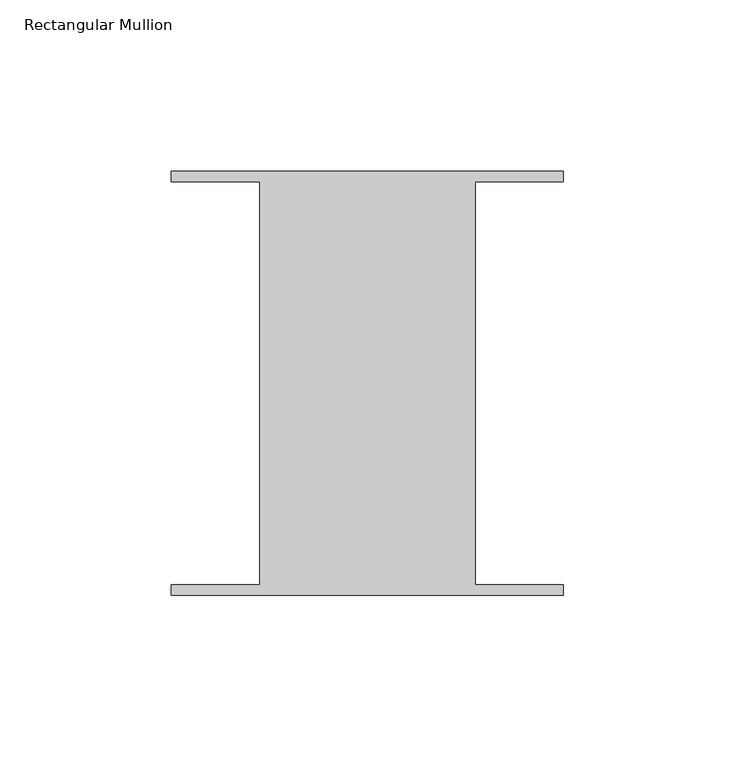
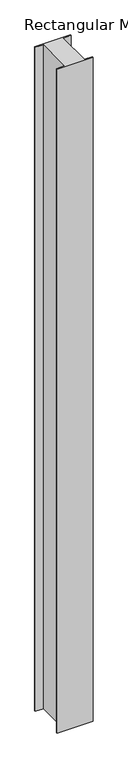
"""IFC4 building model written with IfcOpenShell, lengths in millimetres: member geometry, Rectangular Mullion."""

import ifcopenshell
import ifcopenshell.guid

model = None  # the IFC model being written
_history = None  # IfcOwnerHistory: only IFC2X3 demands one
_inside = {}  # id of a spatial element -> (the spatial element, [elements in it])
_under = {}  # id of a project, library or spatial element -> (it, [spatial elements below it])
_declared = {}  # id of a project -> (the project, [libraries it declares])
_typed = {}  # id of a type object -> (the type object, [elements of that type])
_made_of = {}  # id of a material, layer set ... -> (it, [elements and type objects made of it])


def new_model(schema):
    """Start an empty IFC model of exactly this schema.

    Asked for "IFC4X3", IfcOpenShell would pick the latest addendum, in which some entities
    have other attributes; the version numbers below select the first issue.
    IFC2X3 requires an IfcOwnerHistory on every rooted entity: one is made here for all.
    """
    global model, _history
    if schema == "IFC4X3":
        model = ifcopenshell.file(schema_version=(4, 3, 0, 0))
    else:
        model = ifcopenshell.file(schema=schema)
    _inside.clear()
    _under.clear()
    _declared.clear()
    _typed.clear()
    _made_of.clear()
    _history = None
    if model.schema == "IFC2X3":
        org = make("IfcOrganization", Name="unknown")
        user = make(
            "IfcPersonAndOrganization",
            ThePerson=make("IfcPerson", FamilyName="unknown"),
            TheOrganization=org,
        )
        app = make(
            "IfcApplication",
            ApplicationDeveloper=org,
            Version="unknown",
            ApplicationFullName="unknown",
            ApplicationIdentifier="unknown",
        )
        _history = make(
            "IfcOwnerHistory",
            OwningUser=user,
            OwningApplication=app,
            ChangeAction="ADDED",
            CreationDate=0,
        )
    return model


def make(cls, **values):
    """One entity of the class cls with the attributes given. An attribute that is None is left unset."""
    return model.create_entity(
        cls, **{name: value for name, value in values.items() if value is not None}
    )


def rooted(cls, **values):
    """An entity with a GlobalId (a new one), such as an element, a storey or a relation."""
    return make(cls, GlobalId=ifcopenshell.guid.new(), OwnerHistory=_history, **values)


def si_unit(unit_type, name, prefix=None):
    """IfcSIUnit, for example si_unit("LENGTHUNIT", "METRE", prefix="MILLI")."""
    return make("IfcSIUnit", UnitType=unit_type, Prefix=prefix, Name=name)


def assignment(units):
    """IfcUnitAssignment: the units of a project."""
    return None if units is None else make("IfcUnitAssignment", Units=units)


def point(xyz):
    """IfcCartesianPoint."""
    return None if xyz is None else make("IfcCartesianPoint", Coordinates=xyz)


def direction(xyz):
    """IfcDirection."""
    return None if xyz is None else make("IfcDirection", DirectionRatios=xyz)


def frame(location, z_axis=None, x_axis=None):
    """IfcAxis2Placement3D, a coordinate frame: its origin and axes. An axis left out is left unset."""
    return make(
        "IfcAxis2Placement3D",
        Location=point(location),
        Axis=direction(z_axis),
        RefDirection=direction(x_axis),
    )


def origin():
    """The frame at (0, 0, 0) with its axes left unset."""
    return frame((0.0, 0.0, 0.0))


def place(relative_to, where):
    """IfcLocalPlacement: puts the frame where relative to a parent placement (None: the world)."""
    return make(
        "IfcLocalPlacement", PlacementRelTo=relative_to, RelativePlacement=where
    )


def context(
    kind, dimensions, precision=None, world=None, true_north=None, identifier=None
):
    """IfcGeometricRepresentationContext, for example the 3D "Model" context."""
    return make(
        "IfcGeometricRepresentationContext",
        ContextIdentifier=identifier,
        ContextType=kind,
        CoordinateSpaceDimension=dimensions,
        Precision=precision,
        WorldCoordinateSystem=world,
        TrueNorth=true_north,
    )


def project(units=None, contexts=None):
    """IfcProject with its units and contexts."""
    return rooted(
        "IfcProject",
        Name="project",
        RepresentationContexts=contexts,
        UnitsInContext=assignment(units),
    )


def spatial(cls, under=None, at=None, **own):
    """A site, building, storey or space (cls), placed at a placement, below another one or the project."""
    s = rooted(cls, ObjectPlacement=at, **own)
    if under is not None:
        _under.setdefault(under.id(), (under, []))[1].append(s)
    return s


def polyline(points):
    """IfcPolyline through the points."""
    return make("IfcPolyline", Points=[point(p) for p in points])


def outline(outer, holes=None, kind="AREA"):
    """IfcArbitraryClosedProfileDef: a profile drawn as a closed curve; with holes, ...WithVoids."""
    if holes is None:
        return make("IfcArbitraryClosedProfileDef", ProfileType=kind, OuterCurve=outer)
    return make(
        "IfcArbitraryProfileDefWithVoids",
        ProfileType=kind,
        OuterCurve=outer,
        InnerCurves=holes,
    )


def extrude(swept, where, along, depth):
    """IfcExtrudedAreaSolid: the profile swept, set in the frame where, extruded along a direction by depth."""
    return make(
        "IfcExtrudedAreaSolid",
        SweptArea=swept,
        Position=where,
        ExtrudedDirection=direction(along),
        Depth=depth,
    )


def shape(context_of_items, identifier, shape_type, items):
    """IfcShapeRepresentation: the items that make up one representation, for example the "Body"."""
    return make(
        "IfcShapeRepresentation",
        ContextOfItems=context_of_items,
        RepresentationIdentifier=identifier,
        RepresentationType=shape_type,
        Items=items,
    )


def source(mapping_origin, context_of_items, identifier, shape_type, items):
    """IfcRepresentationMap: a shape defined once, which mapped items show again and again."""
    return make(
        "IfcRepresentationMap",
        MappingOrigin=mapping_origin,
        MappedRepresentation=shape(context_of_items, identifier, shape_type, items),
    )


def transform(
    local_origin,
    x_axis=None,
    y_axis=None,
    z_axis=None,
    scale=None,
    scale2=None,
    scale3=None,
    uniform=True,
):
    """IfcCartesianTransformationOperator3D, or its non-uniform kind. x_axis, y_axis, z_axis: its Axis1, 2, 3."""
    if uniform:
        return make(
            "IfcCartesianTransformationOperator3D",
            Axis1=direction(x_axis),
            Axis2=direction(y_axis),
            LocalOrigin=point(local_origin),
            Scale=scale,
            Axis3=direction(z_axis),
        )
    return make(
        "IfcCartesianTransformationOperator3DnonUniform",
        Axis1=direction(x_axis),
        Axis2=direction(y_axis),
        LocalOrigin=point(local_origin),
        Scale=scale,
        Axis3=direction(z_axis),
        Scale2=scale2,
        Scale3=scale3,
    )


def mapped(mapping_source, mapping_target):
    """IfcMappedItem: shows the shape of a source again, moved by a transform."""
    return make(
        "IfcMappedItem", MappingSource=mapping_source, MappingTarget=mapping_target
    )


def made_of(thing, what):
    """Note that an element or type object is made of a material, layer set ...; save() writes the relation."""
    if what is not None:
        _made_of.setdefault(what.id(), (what, []))[1].append(thing)
    return thing


def element(
    cls,
    number,
    at=None,
    inside=None,
    cuts=None,
    type_object=None,
    material=None,
    context=None,
    identifier="Body",
    shape_type=None,
    held_by="IfcProductDefinitionShape",
    body=None,
    shapes=None,
    **own,
):
    """One element of the class cls, such as IfcWall. Its Tag is "e" and its number.

    at: its placement. inside: the storey or other place that contains it. cuts: it is an
    opening in that element (IfcRelVoidsElement). A single representation is given by context,
    identifier, shape_type and body (its items); several are given by shapes. held_by: the class
    of the entity that holds the representations. save() writes the other relations.
    """
    e = rooted(cls, Tag="e%d" % number, ObjectPlacement=at, **own)
    if body is not None:
        shapes = [shape(context, identifier, shape_type, body)]
    if shapes is not None:
        e.Representation = make(held_by, Representations=shapes)
    if inside is not None:
        _inside.setdefault(inside.id(), (inside, []))[1].append(e)
    if cuts is not None:
        rooted(
            "IfcRelVoidsElement", RelatingBuildingElement=cuts, RelatedOpeningElement=e
        )
    if type_object is not None:
        _typed.setdefault(type_object.id(), (type_object, []))[1].append(e)
    return made_of(e, material)


def aggregate(whole, parts):
    """IfcRelAggregates: a whole, such as a stair, and the parts it consists of."""
    return rooted("IfcRelAggregates", RelatingObject=whole, RelatedObjects=parts)


def save(model, path):
    """Write the relations noted so far, then the file.

    IfcRelAggregates (storeys below a building ...), IfcRelContainedInSpatialStructure (elements
    in a storey), IfcRelDefinesByType, IfcRelAssociatesMaterial and IfcRelDeclares: one each for
    every whole, place, type object, material and project.
    """
    for whole, parts in _under.values():
        aggregate(whole, parts)
    for where, things in _inside.values():
        rooted(
            "IfcRelContainedInSpatialStructure",
            RelatedElements=things,
            RelatingStructure=where,
        )
    for kind, things in _typed.values():
        rooted("IfcRelDefinesByType", RelatedObjects=things, RelatingType=kind)
    for what, things in _made_of.values():
        rooted("IfcRelAssociatesMaterial", RelatedObjects=things, RelatingMaterial=what)
    for by, libraries in _declared.values():
        rooted("IfcRelDeclares", RelatingContext=by, RelatedDefinitions=libraries)
    model.write(path)


def rectangular_mullion_fbe6f838(model_context):
    return source(origin(), model_context, "Body", "SweptSolid", [
        extrude(outline(polyline([(31.4523438, 58.6995588), (31.4523437, -58.7754412), (57.15, -58.7754413), (57.15, -61.8512225), (-57.15, -61.8512225), (-57.15, -58.7754413), (-31.4523438, -58.7754412), (-31.4523437, 58.6995588), (-57.15, 58.6995587), (-57.15, 61.77534), (57.15, 61.77534), (57.15, 58.6995587), (31.4523438, 58.6995588)])), frame((0.0, 0.0, -2235.2), z_axis=(0.0, 0.0, 1.0), x_axis=(1.0, 0.0, 0.0)), (0.0, 0.0, 1.0), 2235.2),
    ])


if __name__ == "__main__":
    model = new_model("IFC4")
    model_context = context("Model", 3, world=origin())
    ifc_project = project(units=[si_unit("LENGTHUNIT", "METRE", prefix="MILLI")], contexts=[model_context])
    site = spatial("IfcSite", under=ifc_project)
    building = spatial("IfcBuilding", under=site)
    placement = place(None, origin())
    rectangular_mullion_shape = rectangular_mullion_fbe6f838(model_context)
    element("IfcMember", 1, ObjectType="Rectangular Mullion", at=placement, inside=building, context=model_context, shape_type="MappedRepresentation", body=[
        mapped(rectangular_mullion_shape, transform((0.0, 0.0, 0.0), x_axis=(1.0, 0.0, 0.0), y_axis=(0.0, 1.0, 0.0), z_axis=(0.0, 0.0, 1.0))),
    ])
    save(model, "model.ifc")
